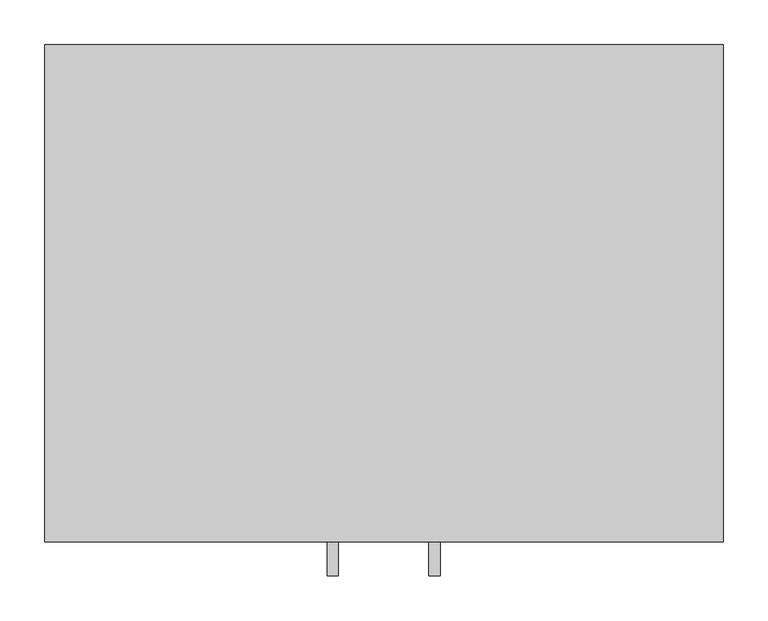
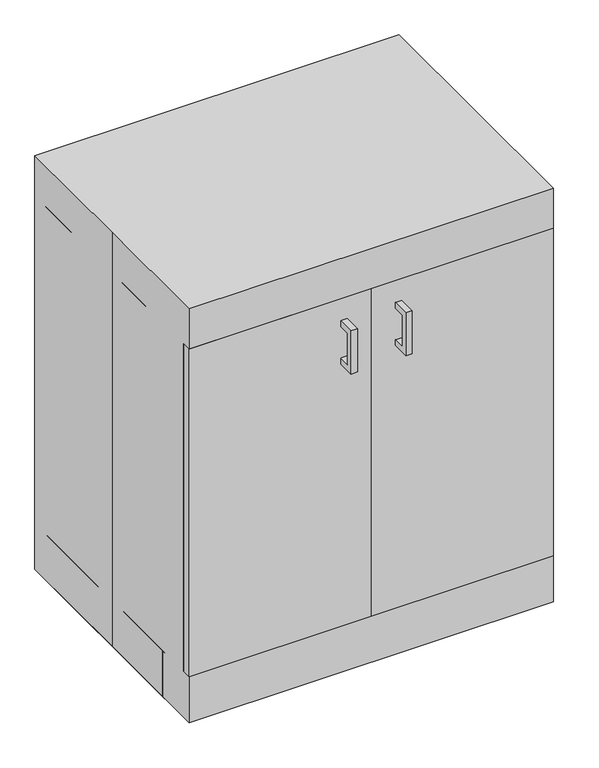
"""IFC4 building model written with IfcOpenShell, lengths in millimetres: proxy geometry."""

from ifc_helpers import new_model, si_unit, frame, origin, origin_with_axes, place, context, project, spatial, polyline, outline, extrude, source, transform, mapped, element, save


def specialty_equipment_bbf9867e(model_context):
    return source(origin(), model_context, "Body", "SweptSolid", [
        extrude(outline(polyline([(0.0, -279.4), (-381.0, -279.4), (-381.0, -260.35), (0.0, -260.35), (0.0, -279.4)])), frame((0.0, 0.0, 101.6), z_axis=(0.0, 0.0, 1.0), x_axis=(1.0, 0.0, 0.0)), (0.0, 0.0, 1.0), 723.8674767),
        extrude(outline(polyline([(381.0, -279.4), (0.0, -279.4), (0.0, -260.35), (381.0, -260.35), (381.0, -279.4)])), frame((0.0, 0.0, 101.6), z_axis=(0.0, 0.0, 1.0), x_axis=(1.0, 0.0, 0.0)), (0.0, 0.0, 1.0), 723.8674767),
        extrude(outline(polyline([(-317.5, 682.625), (-317.5, 777.875), (-279.4, 777.875), (-279.4, 765.1909299), (-304.8159299, 765.1909299), (-304.8159299, 695.3090701), (-279.4, 695.3090701), (-279.4, 682.625), (-317.5, 682.625)])), frame((50.5065288, 0.0, 0.0), z_axis=(1.0, 0.0, 0.0), x_axis=(0.0, 1.0, 0.0)), (0.0, 0.0, 1.0), 12.7),
        extrude(outline(polyline([(-317.5, 682.6060937), (-317.5, 777.8560937), (-279.4, 777.8560937), (-279.4, 765.1720236), (-304.8159299, 765.1720236), (-304.8159299, 695.2901637), (-279.4, 695.2901637), (-279.4, 682.6060937), (-317.5, 682.6060937)])), frame((-63.7934712, 0.0, 0.0), z_axis=(1.0, 0.0, 0.0), x_axis=(0.0, 1.0, 0.0)), (0.0, 0.0, 1.0), 12.7),
        extrude(outline(polyline([(-381.0, 279.4), (381.0, 279.4), (381.0, -279.4), (-381.0, -279.4), (-381.0, 0.0), (-381.0, 279.4)])), origin_with_axes(), (0.0, 0.0, 1.0), 914.4),
        extrude(outline(polyline([(-381.0, -260.35), (-381.0, 279.4), (-361.95, 279.4), (-361.95, -260.35), (-381.0, -260.35)])), frame((0.0, 0.0, 101.6), z_axis=(0.0, 0.0, 1.0), x_axis=(1.0, 0.0, 0.0)), (0.0, 0.0, 1.0), 723.8674767),
        extrude(outline(polyline([(361.95, -260.35), (361.95, 279.4), (381.0, 279.4), (381.0, -260.35), (361.95, -260.35)])), frame((0.0, 0.0, 101.6), z_axis=(0.0, 0.0, 1.0), x_axis=(1.0, 0.0, 0.0)), (0.0, 0.0, 1.0), 723.8674767),
        extrude(outline(polyline([(381.0, -203.2), (-381.0, -203.2), (-381.0, -184.15), (381.0, -184.15), (381.0, -203.2)])), origin_with_axes(), (0.0, 0.0, 1.0), 101.6),
        extrude(outline(polyline([(-381.0, -184.15), (-381.0, 279.4), (-361.95, 279.4), (-361.95, -184.15), (-381.0, -184.15)])), origin_with_axes(), (0.0, 0.0, 1.0), 101.6),
        extrude(outline(polyline([(361.95, -184.15), (361.95, 279.4), (381.0, 279.4), (381.0, -184.15), (361.95, -184.15)])), origin_with_axes(), (0.0, 0.0, 1.0), 101.6),
        extrude(outline(polyline([(381.0, 260.35), (-381.0, 260.35), (-381.0, 279.4), (381.0, 279.4), (381.0, 260.35)])), origin_with_axes(), (0.0, 0.0, 1.0), 101.6),
        extrude(outline(polyline([(361.95, 260.35), (361.95, -260.35), (-361.95, -260.35), (-361.95, 260.35), (361.95, 260.35)])), frame((0.0, 0.0, 101.6), z_axis=(0.0, 0.0, 1.0), x_axis=(1.0, 0.0, 0.0)), (0.0, 0.0, 1.0), 19.1166954),
        extrude(outline(polyline([(361.95, 260.35), (-361.95, 260.35), (-361.95, 279.4), (361.95, 279.4), (361.95, 260.35)])), frame((0.0, 0.0, 101.6), z_axis=(0.0, 0.0, 1.0), x_axis=(1.0, 0.0, 0.0)), (0.0, 0.0, 1.0), 704.8174767),
    ])


if __name__ == "__main__":
    model = new_model("IFC4")
    model_context = context("Model", 3, world=origin())
    ifc_project = project(units=[si_unit("LENGTHUNIT", "METRE", prefix="MILLI")], contexts=[model_context])
    site = spatial("IfcSite", under=ifc_project)
    building = spatial("IfcBuilding", under=site)
    placement = place(None, origin())
    specialty_equipment_shape = specialty_equipment_bbf9867e(model_context)
    element("IfcBuildingElementProxy", 1, Name="Specialty Equipment", at=placement, inside=building, context=model_context, shape_type="MappedRepresentation", body=[
        mapped(specialty_equipment_shape, transform((0.0, 0.0, 0.0), x_axis=(1.0, 0.0, 0.0), y_axis=(0.0, 1.0, 0.0), z_axis=(0.0, 0.0, 1.0))),
    ])
    save(model, "model.ifc")
